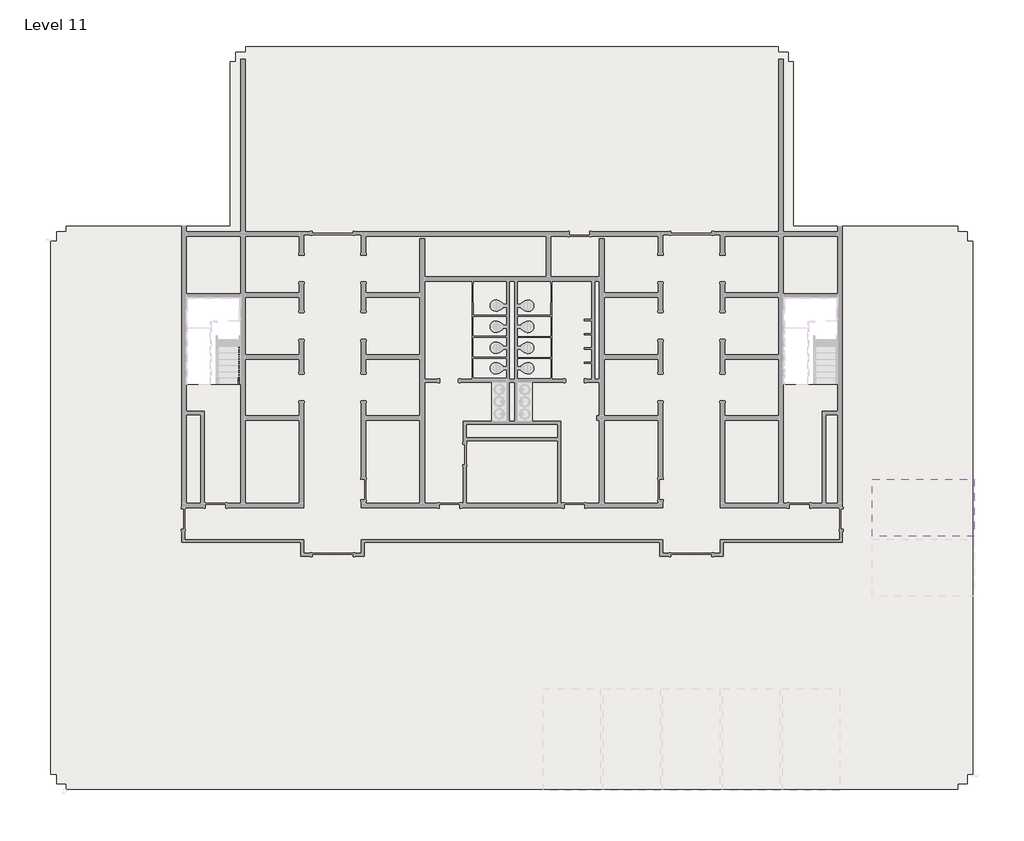
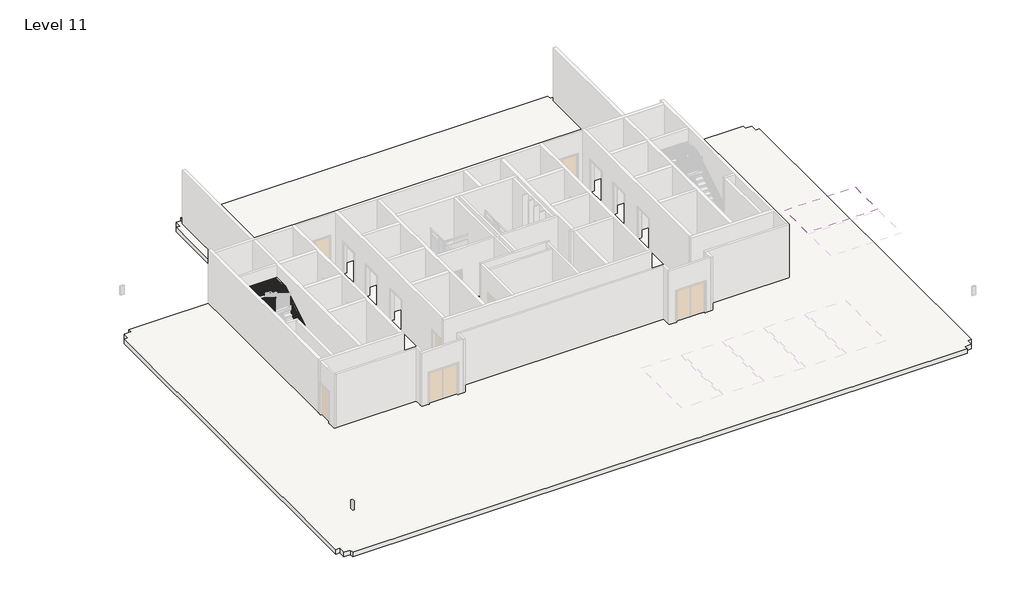
# One storey, part 3 of 7: 1 covering, 1 railing, 1 slab.
"""IFC4 building model written with IfcOpenShell, lengths in millimetres."""

from ifc_helpers import new_model, si_unit, frame, origin, place, context, project, spatial, polyline, outline, extrude, faceted_brep, element, save

model = new_model("IFC4")

# Units and contexts
model_context = context("Model", 3, world=origin())
ifc_project = project(units=[si_unit("LENGTHUNIT", "METRE", prefix="MILLI")], contexts=[model_context])

# Site, building, storey
site = spatial("IfcSite", under=ifc_project)
building = spatial("IfcBuilding", under=site)
storey = spatial("IfcBuildingStorey", under=building, Name="Level 11", Elevation=39776.4)

# Covering
placement = place(None, origin())
element("IfcCovering", 1, ObjectType="2' x 2' ACT System", at=placement, inside=storey, context=model_context, shape_type="SweptSolid", body=[
    extrude(outline(polyline([(10093.3069555, -1616.7279688), (14639.9069555, -1616.7279688), (14639.9069555, -4156.7279688), (10093.3069555, -4156.7279688), (10093.3069555, -1616.7279688)])), frame((0.0, 0.0, 42214.8), z_axis=(0.0, 0.0, 1.0), x_axis=(1.0, 0.0, 0.0)), (0.0, 0.0, 1.0), 57.15),
])

# Railing
element("IfcRailing", 2, ObjectType="Handrail - Rectangular", at=placement, inside=storey, context=model_context, shape_type="SolidModel", body=[
    faceted_brep([(-18176.8930445, 2625.4460566, 40864.9714286), (-18176.8930445, 2625.4460566, 40805.1093152), (-18126.0930445, 2625.4460566, 40805.1093152), (-18126.0930445, 2625.4460566, 40864.9714286), (-18176.8930445, 5419.4460566, 42606.6857143), (-18176.8930445, 5433.9831967, 42555.8857143), (-18126.0930445, 5433.9831967, 42555.8857143), (-18126.0930445, 5419.4460566, 42606.6857143), (-18176.8930445, 6396.9720312, 42606.6857143), (-18176.8930445, 6396.9720312, 42555.8857143), (-18126.0930445, 6447.7720312, 42555.8857143), (-18126.0930445, 6447.7720312, 42606.6857143), (-20399.3930445, 6396.9720312, 42606.6857143), (-20399.3930445, 6396.9720312, 42555.8857143), (-20450.1930445, 6447.7720312, 42555.8857143), (-20450.1930445, 6447.7720312, 42606.6857143), (-20399.3930445, 5419.4460566, 42606.6857143), (-20399.3930445, 5404.9089165, 42555.8857143), (-20450.1930445, 5404.9089165, 42555.8857143), (-20450.1930445, 5419.4460566, 42606.6857143), (-20399.3930445, 2625.4460566, 44348.4), (-20450.1930445, 2625.4460566, 44348.4), (-20450.1930445, 2625.4460566, 44288.5378867), (-20399.3930445, 2625.4460566, 44288.5378867)], [[[0, 1, 2, 3]], [[1, 0, 4, 5]], [[2, 1, 5, 6]], [[3, 2, 6, 7]], [[0, 3, 7, 4]], [[5, 4, 8, 9]], [[6, 5, 9, 10]], [[7, 6, 10, 11]], [[4, 7, 11, 8]], [[9, 8, 12, 13]], [[10, 9, 13, 14]], [[11, 10, 14, 15]], [[8, 11, 15, 12]], [[13, 12, 16, 17]], [[14, 13, 17, 18]], [[15, 14, 18, 19]], [[12, 15, 19, 16]], [[20, 21, 22, 23]], [[17, 16, 20, 23]], [[18, 17, 23, 22]], [[19, 18, 22, 21]], [[16, 19, 21, 20]]]),
    extrude(outline(polyline([(2666.7210566, 44262.8080165), (2685.7710566, 44250.9326919), (2685.7710566, 43259.8285714), (2666.7210566, 43259.8285714), (2666.7210566, 44262.8080165)])), frame((-20434.3180445, 0.0, 0.0), z_axis=(1.0, 0.0, 0.0), x_axis=(0.0, 1.0, 0.0)), (0.0, 0.0, 1.0), 19.05),
    extrude(outline(polyline([(2768.3210566, 44199.4729516), (2787.3710566, 44187.5976269), (2787.3710566, 43259.8285714), (2768.3210566, 43259.8285714), (2768.3210566, 44199.4729516)])), frame((-20434.3180445, 0.0, 0.0), z_axis=(1.0, 0.0, 0.0), x_axis=(0.0, 1.0, 0.0)), (0.0, 0.0, 1.0), 19.05),
    extrude(outline(polyline([(2869.9210566, 44136.1378867), (2888.9710566, 44124.262562), (2888.9710566, 43259.8285714), (2869.9210566, 43259.8285714), (2869.9210566, 44136.1378867)])), frame((-20434.3180445, 0.0, 0.0), z_axis=(1.0, 0.0, 0.0), x_axis=(0.0, 1.0, 0.0)), (0.0, 0.0, 1.0), 19.05),
    extrude(outline(polyline([(2971.5210566, 44072.8028217), (2990.5710566, 44060.9274971), (2990.5710566, 43085.6571429), (2971.5210566, 43085.6571429), (2971.5210566, 44072.8028217)])), frame((-20434.3180445, 0.0, 0.0), z_axis=(1.0, 0.0, 0.0), x_axis=(0.0, 1.0, 0.0)), (0.0, 0.0, 1.0), 19.05),
    extrude(outline(polyline([(3073.1210566, 44009.4677568), (3092.1710566, 43997.5924321), (3092.1710566, 43085.6571429), (3073.1210566, 43085.6571429), (3073.1210566, 44009.4677568)])), frame((-20434.3180445, 0.0, 0.0), z_axis=(1.0, 0.0, 0.0), x_axis=(0.0, 1.0, 0.0)), (0.0, 0.0, 1.0), 19.05),
    extrude(outline(polyline([(3174.7210566, 43946.1326919), (3193.7710566, 43934.2573672), (3193.7710566, 43085.6571429), (3174.7210566, 43085.6571429), (3174.7210566, 43946.1326919)])), frame((-20434.3180445, 0.0, 0.0), z_axis=(1.0, 0.0, 0.0), x_axis=(0.0, 1.0, 0.0)), (0.0, 0.0, 1.0), 19.05),
    extrude(outline(polyline([(3276.3210566, 43882.7976269), (3295.3710566, 43870.9223023), (3295.3710566, 42911.4857143), (3276.3210566, 42911.4857143), (3276.3210566, 43882.7976269)])), frame((-20434.3180445, 0.0, 0.0), z_axis=(1.0, 0.0, 0.0), x_axis=(0.0, 1.0, 0.0)), (0.0, 0.0, 1.0), 19.05),
    extrude(outline(polyline([(3377.9210566, 43819.462562), (3396.9710566, 43807.5872373), (3396.9710566, 42911.4857143), (3377.9210566, 42911.4857143), (3377.9210566, 43819.462562)])), frame((-20434.3180445, 0.0, 0.0), z_axis=(1.0, 0.0, 0.0), x_axis=(0.0, 1.0, 0.0)), (0.0, 0.0, 1.0), 19.05),
    extrude(outline(polyline([(3479.5210566, 43756.1274971), (3498.5710566, 43744.2521724), (3498.5710566, 42737.3142857), (3479.5210566, 42737.3142857), (3479.5210566, 43756.1274971)])), frame((-20434.3180445, 0.0, 0.0), z_axis=(1.0, 0.0, 0.0), x_axis=(0.0, 1.0, 0.0)), (0.0, 0.0, 1.0), 19.05),
    extrude(outline(polyline([(3581.1210566, 43692.7924321), (3600.1710566, 43680.9171074), (3600.1710566, 42737.3142857), (3581.1210566, 42737.3142857), (3581.1210566, 43692.7924321)])), frame((-20434.3180445, 0.0, 0.0), z_axis=(1.0, 0.0, 0.0), x_axis=(0.0, 1.0, 0.0)), (0.0, 0.0, 1.0), 19.05),
    extrude(outline(polyline([(3682.7210566, 43629.4573672), (3701.7710566, 43617.5820425), (3701.7710566, 42737.3142857), (3682.7210566, 42737.3142857), (3682.7210566, 43629.4573672)])), frame((-20434.3180445, 0.0, 0.0), z_axis=(1.0, 0.0, 0.0), x_axis=(0.0, 1.0, 0.0)), (0.0, 0.0, 1.0), 19.05),
    extrude(outline(polyline([(3784.3210566, 43566.1223023), (3803.3710566, 43554.2469776), (3803.3710566, 42563.1428571), (3784.3210566, 42563.1428571), (3784.3210566, 43566.1223023)])), frame((-20434.3180445, 0.0, 0.0), z_axis=(1.0, 0.0, 0.0), x_axis=(0.0, 1.0, 0.0)), (0.0, 0.0, 1.0), 19.05),
    extrude(outline(polyline([(3885.9210566, 43502.7872373), (3904.9710566, 43490.9119126), (3904.9710566, 42563.1428571), (3885.9210566, 42563.1428571), (3885.9210566, 43502.7872373)])), frame((-20434.3180445, 0.0, 0.0), z_axis=(1.0, 0.0, 0.0), x_axis=(0.0, 1.0, 0.0)), (0.0, 0.0, 1.0), 19.05),
    extrude(outline(polyline([(3987.5210566, 43439.4521724), (4006.5710566, 43427.5768477), (4006.5710566, 42563.1428571), (3987.5210566, 42563.1428571), (3987.5210566, 43439.4521724)])), frame((-20434.3180445, 0.0, 0.0), z_axis=(1.0, 0.0, 0.0), x_axis=(0.0, 1.0, 0.0)), (0.0, 0.0, 1.0), 19.05),
    extrude(outline(polyline([(4089.1210566, 43376.1171074), (4108.1710566, 43364.2417828), (4108.1710566, 42388.9714286), (4089.1210566, 42388.9714286), (4089.1210566, 43376.1171074)])), frame((-20434.3180445, 0.0, 0.0), z_axis=(1.0, 0.0, 0.0), x_axis=(0.0, 1.0, 0.0)), (0.0, 0.0, 1.0), 19.05),
    extrude(outline(polyline([(4190.7210566, 43312.7820425), (4209.7710566, 43300.9067178), (4209.7710566, 42388.9714286), (4190.7210566, 42388.9714286), (4190.7210566, 43312.7820425)])), frame((-20434.3180445, 0.0, 0.0), z_axis=(1.0, 0.0, 0.0), x_axis=(0.0, 1.0, 0.0)), (0.0, 0.0, 1.0), 19.05),
    extrude(outline(polyline([(4292.3210566, 43249.4469776), (4311.3710566, 43237.5716529), (4311.3710566, 42388.9714286), (4292.3210566, 42388.9714286), (4292.3210566, 43249.4469776)])), frame((-20434.3180445, 0.0, 0.0), z_axis=(1.0, 0.0, 0.0), x_axis=(0.0, 1.0, 0.0)), (0.0, 0.0, 1.0), 19.05),
    extrude(outline(polyline([(4393.9210566, 43186.1119126), (4412.9710566, 43174.236588), (4412.9710566, 42214.8), (4393.9210566, 42214.8), (4393.9210566, 43186.1119126)])), frame((-20434.3180445, 0.0, 0.0), z_axis=(1.0, 0.0, 0.0), x_axis=(0.0, 1.0, 0.0)), (0.0, 0.0, 1.0), 19.05),
    extrude(outline(polyline([(4495.5210566, 43122.7768477), (4514.5710566, 43110.901523), (4514.5710566, 42214.8), (4495.5210566, 42214.8), (4495.5210566, 43122.7768477)])), frame((-20434.3180445, 0.0, 0.0), z_axis=(1.0, 0.0, 0.0), x_axis=(0.0, 1.0, 0.0)), (0.0, 0.0, 1.0), 19.05),
    extrude(outline(polyline([(4597.1210566, 43059.4417828), (4616.1710566, 43047.5664581), (4616.1710566, 42040.6285714), (4597.1210566, 42040.6285714), (4597.1210566, 43059.4417828)])), frame((-20434.3180445, 0.0, 0.0), z_axis=(1.0, 0.0, 0.0), x_axis=(0.0, 1.0, 0.0)), (0.0, 0.0, 1.0), 19.05),
    extrude(outline(polyline([(4698.7210566, 42996.1067178), (4717.7710566, 42984.2313932), (4717.7710566, 42040.6285714), (4698.7210566, 42040.6285714), (4698.7210566, 42996.1067178)])), frame((-20434.3180445, 0.0, 0.0), z_axis=(1.0, 0.0, 0.0), x_axis=(0.0, 1.0, 0.0)), (0.0, 0.0, 1.0), 19.05),
    extrude(outline(polyline([(4800.3210566, 42932.7716529), (4819.3710566, 42920.8963282), (4819.3710566, 42040.6285714), (4800.3210566, 42040.6285714), (4800.3210566, 42932.7716529)])), frame((-20434.3180445, 0.0, 0.0), z_axis=(1.0, 0.0, 0.0), x_axis=(0.0, 1.0, 0.0)), (0.0, 0.0, 1.0), 19.05),
    extrude(outline(polyline([(4901.9210566, 42869.436588), (4920.9710566, 42857.5612633), (4920.9710566, 41866.4571429), (4901.9210566, 41866.4571429), (4901.9210566, 42869.436588)])), frame((-20434.3180445, 0.0, 0.0), z_axis=(1.0, 0.0, 0.0), x_axis=(0.0, 1.0, 0.0)), (0.0, 0.0, 1.0), 19.05),
    extrude(outline(polyline([(5003.5210566, 42806.101523), (5022.5710566, 42794.2261984), (5022.5710566, 41866.4571429), (5003.5210566, 41866.4571429), (5003.5210566, 42806.101523)])), frame((-20434.3180445, 0.0, 0.0), z_axis=(1.0, 0.0, 0.0), x_axis=(0.0, 1.0, 0.0)), (0.0, 0.0, 1.0), 19.05),
    extrude(outline(polyline([(5105.1210566, 42742.7664581), (5124.1710566, 42730.8911334), (5124.1710566, 41866.4571429), (5105.1210566, 41866.4571429), (5105.1210566, 42742.7664581)])), frame((-20434.3180445, 0.0, 0.0), z_axis=(1.0, 0.0, 0.0), x_axis=(0.0, 1.0, 0.0)), (0.0, 0.0, 1.0), 19.05),
    extrude(outline(polyline([(5206.7210566, 42679.4313932), (5225.7710566, 42667.5560685), (5225.7710566, 41692.2857143), (5206.7210566, 41692.2857143), (5206.7210566, 42679.4313932)])), frame((-20434.3180445, 0.0, 0.0), z_axis=(1.0, 0.0, 0.0), x_axis=(0.0, 1.0, 0.0)), (0.0, 0.0, 1.0), 19.05),
    extrude(outline(polyline([(5308.3210566, 42616.0963282), (5327.3710566, 42604.2210036), (5327.3710566, 41692.2857143), (5308.3210566, 41692.2857143), (5308.3210566, 42616.0963282)])), frame((-20434.3180445, 0.0, 0.0), z_axis=(1.0, 0.0, 0.0), x_axis=(0.0, 1.0, 0.0)), (0.0, 0.0, 1.0), 19.05),
    extrude(outline(polyline([(-20434.3180445, 5517.4970312), (-20415.2680445, 5517.4970312), (-20415.2680445, 5498.4470312), (-20434.3180445, 5498.4470312), (-20434.3180445, 5517.4970312)])), frame((0.0, 0.0, 41692.2857143), z_axis=(0.0, 0.0, 1.0), x_axis=(1.0, 0.0, 0.0)), (0.0, 0.0, 1.0), 863.6),
    extrude(outline(polyline([(-20434.3180445, 5619.0970312), (-20415.2680445, 5619.0970312), (-20415.2680445, 5600.0470312), (-20434.3180445, 5600.0470312), (-20434.3180445, 5619.0970312)])), frame((0.0, 0.0, 41692.2857143), z_axis=(0.0, 0.0, 1.0), x_axis=(1.0, 0.0, 0.0)), (0.0, 0.0, 1.0), 863.6),
    extrude(outline(polyline([(-20434.3180445, 5720.6970312), (-20415.2680445, 5720.6970312), (-20415.2680445, 5701.6470312), (-20434.3180445, 5701.6470312), (-20434.3180445, 5720.6970312)])), frame((0.0, 0.0, 41692.2857143), z_axis=(0.0, 0.0, 1.0), x_axis=(1.0, 0.0, 0.0)), (0.0, 0.0, 1.0), 863.6),
    extrude(outline(polyline([(-20434.3180445, 5822.2970312), (-20415.2680445, 5822.2970312), (-20415.2680445, 5803.2470312), (-20434.3180445, 5803.2470312), (-20434.3180445, 5822.2970312)])), frame((0.0, 0.0, 41692.2857143), z_axis=(0.0, 0.0, 1.0), x_axis=(1.0, 0.0, 0.0)), (0.0, 0.0, 1.0), 863.6),
    extrude(outline(polyline([(-20434.3180445, 5923.8970312), (-20415.2680445, 5923.8970312), (-20415.2680445, 5904.8470312), (-20434.3180445, 5904.8470312), (-20434.3180445, 5923.8970312)])), frame((0.0, 0.0, 41692.2857143), z_axis=(0.0, 0.0, 1.0), x_axis=(1.0, 0.0, 0.0)), (0.0, 0.0, 1.0), 863.6),
    extrude(outline(polyline([(-20434.3180445, 6025.4970312), (-20415.2680445, 6025.4970312), (-20415.2680445, 6006.4470312), (-20434.3180445, 6006.4470312), (-20434.3180445, 6025.4970312)])), frame((0.0, 0.0, 41692.2857143), z_axis=(0.0, 0.0, 1.0), x_axis=(1.0, 0.0, 0.0)), (0.0, 0.0, 1.0), 863.6),
    extrude(outline(polyline([(-20434.3180445, 6127.0970312), (-20415.2680445, 6127.0970312), (-20415.2680445, 6108.0470312), (-20434.3180445, 6108.0470312), (-20434.3180445, 6127.0970312)])), frame((0.0, 0.0, 41692.2857143), z_axis=(0.0, 0.0, 1.0), x_axis=(1.0, 0.0, 0.0)), (0.0, 0.0, 1.0), 863.6),
    extrude(outline(polyline([(-20434.3180445, 6228.6970312), (-20415.2680445, 6228.6970312), (-20415.2680445, 6209.6470312), (-20434.3180445, 6209.6470312), (-20434.3180445, 6228.6970312)])), frame((0.0, 0.0, 41692.2857143), z_axis=(0.0, 0.0, 1.0), x_axis=(1.0, 0.0, 0.0)), (0.0, 0.0, 1.0), 863.6),
    extrude(outline(polyline([(-20434.3180445, 6330.2970312), (-20415.2680445, 6330.2970312), (-20415.2680445, 6311.2470312), (-20434.3180445, 6311.2470312), (-20434.3180445, 6330.2970312)])), frame((0.0, 0.0, 41692.2857143), z_axis=(0.0, 0.0, 1.0), x_axis=(1.0, 0.0, 0.0)), (0.0, 0.0, 1.0), 863.6),
    extrude(outline(polyline([(-20377.1680445, 6431.8970312), (-20377.1680445, 6412.8470312), (-20396.2180445, 6412.8470312), (-20396.2180445, 6431.8970312), (-20377.1680445, 6431.8970312)])), frame((0.0, 0.0, 41692.2857143), z_axis=(0.0, 0.0, 1.0), x_axis=(1.0, 0.0, 0.0)), (0.0, 0.0, 1.0), 863.6),
    extrude(outline(polyline([(-20275.5680445, 6431.8970312), (-20275.5680445, 6412.8470312), (-20294.6180445, 6412.8470312), (-20294.6180445, 6431.8970312), (-20275.5680445, 6431.8970312)])), frame((0.0, 0.0, 41692.2857143), z_axis=(0.0, 0.0, 1.0), x_axis=(1.0, 0.0, 0.0)), (0.0, 0.0, 1.0), 863.6),
    extrude(outline(polyline([(-20173.9680445, 6431.8970312), (-20173.9680445, 6412.8470312), (-20193.0180445, 6412.8470312), (-20193.0180445, 6431.8970312), (-20173.9680445, 6431.8970312)])), frame((0.0, 0.0, 41692.2857143), z_axis=(0.0, 0.0, 1.0), x_axis=(1.0, 0.0, 0.0)), (0.0, 0.0, 1.0), 863.6),
    extrude(outline(polyline([(-20072.3680445, 6431.8970312), (-20072.3680445, 6412.8470312), (-20091.4180445, 6412.8470312), (-20091.4180445, 6431.8970312), (-20072.3680445, 6431.8970312)])), frame((0.0, 0.0, 41692.2857143), z_axis=(0.0, 0.0, 1.0), x_axis=(1.0, 0.0, 0.0)), (0.0, 0.0, 1.0), 863.6),
    extrude(outline(polyline([(-19970.7680445, 6431.8970312), (-19970.7680445, 6412.8470312), (-19989.8180445, 6412.8470312), (-19989.8180445, 6431.8970312), (-19970.7680445, 6431.8970312)])), frame((0.0, 0.0, 41692.2857143), z_axis=(0.0, 0.0, 1.0), x_axis=(1.0, 0.0, 0.0)), (0.0, 0.0, 1.0), 863.6),
    extrude(outline(polyline([(-19869.1680445, 6431.8970312), (-19869.1680445, 6412.8470312), (-19888.2180445, 6412.8470312), (-19888.2180445, 6431.8970312), (-19869.1680445, 6431.8970312)])), frame((0.0, 0.0, 41692.2857143), z_axis=(0.0, 0.0, 1.0), x_axis=(1.0, 0.0, 0.0)), (0.0, 0.0, 1.0), 863.6),
    extrude(outline(polyline([(-19767.5680445, 6431.8970312), (-19767.5680445, 6412.8470312), (-19786.6180445, 6412.8470312), (-19786.6180445, 6431.8970312), (-19767.5680445, 6431.8970312)])), frame((0.0, 0.0, 41692.2857143), z_axis=(0.0, 0.0, 1.0), x_axis=(1.0, 0.0, 0.0)), (0.0, 0.0, 1.0), 863.6),
    extrude(outline(polyline([(-19665.9680445, 6431.8970312), (-19665.9680445, 6412.8470312), (-19685.0180445, 6412.8470312), (-19685.0180445, 6431.8970312), (-19665.9680445, 6431.8970312)])), frame((0.0, 0.0, 41692.2857143), z_axis=(0.0, 0.0, 1.0), x_axis=(1.0, 0.0, 0.0)), (0.0, 0.0, 1.0), 863.6),
    extrude(outline(polyline([(-19564.3680445, 6431.8970312), (-19564.3680445, 6412.8470312), (-19583.4180445, 6412.8470312), (-19583.4180445, 6431.8970312), (-19564.3680445, 6431.8970312)])), frame((0.0, 0.0, 41692.2857143), z_axis=(0.0, 0.0, 1.0), x_axis=(1.0, 0.0, 0.0)), (0.0, 0.0, 1.0), 863.6),
    extrude(outline(polyline([(-19462.7680445, 6431.8970312), (-19462.7680445, 6412.8470312), (-19481.8180445, 6412.8470312), (-19481.8180445, 6431.8970312), (-19462.7680445, 6431.8970312)])), frame((0.0, 0.0, 41692.2857143), z_axis=(0.0, 0.0, 1.0), x_axis=(1.0, 0.0, 0.0)), (0.0, 0.0, 1.0), 863.6),
    extrude(outline(polyline([(-19361.1680445, 6431.8970312), (-19361.1680445, 6412.8470312), (-19380.2180445, 6412.8470312), (-19380.2180445, 6431.8970312), (-19361.1680445, 6431.8970312)])), frame((0.0, 0.0, 41692.2857143), z_axis=(0.0, 0.0, 1.0), x_axis=(1.0, 0.0, 0.0)), (0.0, 0.0, 1.0), 863.6),
    extrude(outline(polyline([(-19259.5680445, 6431.8970312), (-19259.5680445, 6412.8470312), (-19278.6180445, 6412.8470312), (-19278.6180445, 6431.8970312), (-19259.5680445, 6431.8970312)])), frame((0.0, 0.0, 41692.2857143), z_axis=(0.0, 0.0, 1.0), x_axis=(1.0, 0.0, 0.0)), (0.0, 0.0, 1.0), 863.6),
    extrude(outline(polyline([(-19157.9680445, 6431.8970312), (-19157.9680445, 6412.8470312), (-19177.0180445, 6412.8470312), (-19177.0180445, 6431.8970312), (-19157.9680445, 6431.8970312)])), frame((0.0, 0.0, 41692.2857143), z_axis=(0.0, 0.0, 1.0), x_axis=(1.0, 0.0, 0.0)), (0.0, 0.0, 1.0), 863.6),
    extrude(outline(polyline([(-19056.3680445, 6431.8970312), (-19056.3680445, 6412.8470312), (-19075.4180445, 6412.8470312), (-19075.4180445, 6431.8970312), (-19056.3680445, 6431.8970312)])), frame((0.0, 0.0, 41692.2857143), z_axis=(0.0, 0.0, 1.0), x_axis=(1.0, 0.0, 0.0)), (0.0, 0.0, 1.0), 863.6),
    extrude(outline(polyline([(-18954.7680445, 6431.8970312), (-18954.7680445, 6412.8470312), (-18973.8180445, 6412.8470312), (-18973.8180445, 6431.8970312), (-18954.7680445, 6431.8970312)])), frame((0.0, 0.0, 41692.2857143), z_axis=(0.0, 0.0, 1.0), x_axis=(1.0, 0.0, 0.0)), (0.0, 0.0, 1.0), 863.6),
    extrude(outline(polyline([(-18853.1680445, 6431.8970312), (-18853.1680445, 6412.8470312), (-18872.2180445, 6412.8470312), (-18872.2180445, 6431.8970312), (-18853.1680445, 6431.8970312)])), frame((0.0, 0.0, 41692.2857143), z_axis=(0.0, 0.0, 1.0), x_axis=(1.0, 0.0, 0.0)), (0.0, 0.0, 1.0), 863.6),
    extrude(outline(polyline([(-18751.5680445, 6431.8970312), (-18751.5680445, 6412.8470312), (-18770.6180445, 6412.8470312), (-18770.6180445, 6431.8970312), (-18751.5680445, 6431.8970312)])), frame((0.0, 0.0, 41692.2857143), z_axis=(0.0, 0.0, 1.0), x_axis=(1.0, 0.0, 0.0)), (0.0, 0.0, 1.0), 863.6),
    extrude(outline(polyline([(-18649.9680445, 6431.8970312), (-18649.9680445, 6412.8470312), (-18669.0180445, 6412.8470312), (-18669.0180445, 6431.8970312), (-18649.9680445, 6431.8970312)])), frame((0.0, 0.0, 41692.2857143), z_axis=(0.0, 0.0, 1.0), x_axis=(1.0, 0.0, 0.0)), (0.0, 0.0, 1.0), 863.6),
    extrude(outline(polyline([(-18548.3680445, 6431.8970312), (-18548.3680445, 6412.8470312), (-18567.4180445, 6412.8470312), (-18567.4180445, 6431.8970312), (-18548.3680445, 6431.8970312)])), frame((0.0, 0.0, 41692.2857143), z_axis=(0.0, 0.0, 1.0), x_axis=(1.0, 0.0, 0.0)), (0.0, 0.0, 1.0), 863.6),
    extrude(outline(polyline([(-18446.7680445, 6431.8970312), (-18446.7680445, 6412.8470312), (-18465.8180445, 6412.8470312), (-18465.8180445, 6431.8970312), (-18446.7680445, 6431.8970312)])), frame((0.0, 0.0, 41692.2857143), z_axis=(0.0, 0.0, 1.0), x_axis=(1.0, 0.0, 0.0)), (0.0, 0.0, 1.0), 863.6),
    extrude(outline(polyline([(-18345.1680445, 6431.8970312), (-18345.1680445, 6412.8470312), (-18364.2180445, 6412.8470312), (-18364.2180445, 6431.8970312), (-18345.1680445, 6431.8970312)])), frame((0.0, 0.0, 41692.2857143), z_axis=(0.0, 0.0, 1.0), x_axis=(1.0, 0.0, 0.0)), (0.0, 0.0, 1.0), 863.6),
    extrude(outline(polyline([(-18243.5680445, 6431.8970312), (-18243.5680445, 6412.8470312), (-18262.6180445, 6412.8470312), (-18262.6180445, 6431.8970312), (-18243.5680445, 6431.8970312)])), frame((0.0, 0.0, 41692.2857143), z_axis=(0.0, 0.0, 1.0), x_axis=(1.0, 0.0, 0.0)), (0.0, 0.0, 1.0), 863.6),
    extrude(outline(polyline([(-18141.9680445, 6324.3210566), (-18161.0180445, 6324.3210566), (-18161.0180445, 6343.3710566), (-18141.9680445, 6343.3710566), (-18141.9680445, 6324.3210566)])), frame((0.0, 0.0, 41692.2857143), z_axis=(0.0, 0.0, 1.0), x_axis=(1.0, 0.0, 0.0)), (0.0, 0.0, 1.0), 863.6),
    extrude(outline(polyline([(-18141.9680445, 6222.7210566), (-18161.0180445, 6222.7210566), (-18161.0180445, 6241.7710566), (-18141.9680445, 6241.7710566), (-18141.9680445, 6222.7210566)])), frame((0.0, 0.0, 41692.2857143), z_axis=(0.0, 0.0, 1.0), x_axis=(1.0, 0.0, 0.0)), (0.0, 0.0, 1.0), 863.6),
    extrude(outline(polyline([(-18141.9680445, 6121.1210566), (-18161.0180445, 6121.1210566), (-18161.0180445, 6140.1710566), (-18141.9680445, 6140.1710566), (-18141.9680445, 6121.1210566)])), frame((0.0, 0.0, 41692.2857143), z_axis=(0.0, 0.0, 1.0), x_axis=(1.0, 0.0, 0.0)), (0.0, 0.0, 1.0), 863.6),
    extrude(outline(polyline([(-18141.9680445, 6019.5210566), (-18161.0180445, 6019.5210566), (-18161.0180445, 6038.5710566), (-18141.9680445, 6038.5710566), (-18141.9680445, 6019.5210566)])), frame((0.0, 0.0, 41692.2857143), z_axis=(0.0, 0.0, 1.0), x_axis=(1.0, 0.0, 0.0)), (0.0, 0.0, 1.0), 863.6),
    extrude(outline(polyline([(-18141.9680445, 5917.9210566), (-18161.0180445, 5917.9210566), (-18161.0180445, 5936.9710566), (-18141.9680445, 5936.9710566), (-18141.9680445, 5917.9210566)])), frame((0.0, 0.0, 41692.2857143), z_axis=(0.0, 0.0, 1.0), x_axis=(1.0, 0.0, 0.0)), (0.0, 0.0, 1.0), 863.6),
    extrude(outline(polyline([(-18141.9680445, 5816.3210566), (-18161.0180445, 5816.3210566), (-18161.0180445, 5835.3710566), (-18141.9680445, 5835.3710566), (-18141.9680445, 5816.3210566)])), frame((0.0, 0.0, 41692.2857143), z_axis=(0.0, 0.0, 1.0), x_axis=(1.0, 0.0, 0.0)), (0.0, 0.0, 1.0), 863.6),
    extrude(outline(polyline([(-18141.9680445, 5714.7210566), (-18161.0180445, 5714.7210566), (-18161.0180445, 5733.7710566), (-18141.9680445, 5733.7710566), (-18141.9680445, 5714.7210566)])), frame((0.0, 0.0, 41692.2857143), z_axis=(0.0, 0.0, 1.0), x_axis=(1.0, 0.0, 0.0)), (0.0, 0.0, 1.0), 863.6),
    extrude(outline(polyline([(-18141.9680445, 5613.1210566), (-18161.0180445, 5613.1210566), (-18161.0180445, 5632.1710566), (-18141.9680445, 5632.1710566), (-18141.9680445, 5613.1210566)])), frame((0.0, 0.0, 41692.2857143), z_axis=(0.0, 0.0, 1.0), x_axis=(1.0, 0.0, 0.0)), (0.0, 0.0, 1.0), 863.6),
    extrude(outline(polyline([(-18141.9680445, 5511.5210566), (-18161.0180445, 5511.5210566), (-18161.0180445, 5530.5710566), (-18141.9680445, 5530.5710566), (-18141.9680445, 5511.5210566)])), frame((0.0, 0.0, 41692.2857143), z_axis=(0.0, 0.0, 1.0), x_axis=(1.0, 0.0, 0.0)), (0.0, 0.0, 1.0), 863.6),
    extrude(outline(polyline([(5359.1210566, 42509.2184061), (5378.1710566, 42521.0937308), (5378.1710566, 41518.1142857), (5359.1210566, 41518.1142857), (5359.1210566, 42509.2184061)])), frame((-18161.0180445, 0.0, 0.0), z_axis=(1.0, 0.0, 0.0), x_axis=(0.0, 1.0, 0.0)), (0.0, 0.0, 1.0), 19.05),
    extrude(outline(polyline([(5257.5210566, 42445.8833412), (5276.5710566, 42457.7586659), (5276.5710566, 41518.1142857), (5257.5210566, 41518.1142857), (5257.5210566, 42445.8833412)])), frame((-18161.0180445, 0.0, 0.0), z_axis=(1.0, 0.0, 0.0), x_axis=(0.0, 1.0, 0.0)), (0.0, 0.0, 1.0), 19.05),
    extrude(outline(polyline([(5155.9210566, 42382.5482763), (5174.9710566, 42394.423601), (5174.9710566, 41518.1142857), (5155.9210566, 41518.1142857), (5155.9210566, 42382.5482763)])), frame((-18161.0180445, 0.0, 0.0), z_axis=(1.0, 0.0, 0.0), x_axis=(0.0, 1.0, 0.0)), (0.0, 0.0, 1.0), 19.05),
    extrude(outline(polyline([(5054.3210566, 42319.2132113), (5073.3710566, 42331.088536), (5073.3710566, 41343.9428571), (5054.3210566, 41343.9428571), (5054.3210566, 42319.2132113)])), frame((-18161.0180445, 0.0, 0.0), z_axis=(1.0, 0.0, 0.0), x_axis=(0.0, 1.0, 0.0)), (0.0, 0.0, 1.0), 19.05),
    extrude(outline(polyline([(4952.7210566, 42255.8781464), (4971.7710566, 42267.7534711), (4971.7710566, 41343.9428571), (4952.7210566, 41343.9428571), (4952.7210566, 42255.8781464)])), frame((-18161.0180445, 0.0, 0.0), z_axis=(1.0, 0.0, 0.0), x_axis=(0.0, 1.0, 0.0)), (0.0, 0.0, 1.0), 19.05),
    extrude(outline(polyline([(4851.1210566, 42192.5430815), (4870.1710566, 42204.4184061), (4870.1710566, 41343.9428571), (4851.1210566, 41343.9428571), (4851.1210566, 42192.5430815)])), frame((-18161.0180445, 0.0, 0.0), z_axis=(1.0, 0.0, 0.0), x_axis=(0.0, 1.0, 0.0)), (0.0, 0.0, 1.0), 19.05),
    extrude(outline(polyline([(4749.5210566, 42129.2080165), (4768.5710566, 42141.0833412), (4768.5710566, 41169.7714286), (4749.5210566, 41169.7714286), (4749.5210566, 42129.2080165)])), frame((-18161.0180445, 0.0, 0.0), z_axis=(1.0, 0.0, 0.0), x_axis=(0.0, 1.0, 0.0)), (0.0, 0.0, 1.0), 19.05),
    extrude(outline(polyline([(4647.9210566, 42065.8729516), (4666.9710566, 42077.7482763), (4666.9710566, 41169.7714286), (4647.9210566, 41169.7714286), (4647.9210566, 42065.8729516)])), frame((-18161.0180445, 0.0, 0.0), z_axis=(1.0, 0.0, 0.0), x_axis=(0.0, 1.0, 0.0)), (0.0, 0.0, 1.0), 19.05),
    extrude(outline(polyline([(4546.3210566, 42002.5378867), (4565.3710566, 42014.4132113), (4565.3710566, 40995.6), (4546.3210566, 40995.6), (4546.3210566, 42002.5378867)])), frame((-18161.0180445, 0.0, 0.0), z_axis=(1.0, 0.0, 0.0), x_axis=(0.0, 1.0, 0.0)), (0.0, 0.0, 1.0), 19.05),
    extrude(outline(polyline([(4444.7210566, 41939.2028217), (4463.7710566, 41951.0781464), (4463.7710566, 40995.6), (4444.7210566, 40995.6), (4444.7210566, 41939.2028217)])), frame((-18161.0180445, 0.0, 0.0), z_axis=(1.0, 0.0, 0.0), x_axis=(0.0, 1.0, 0.0)), (0.0, 0.0, 1.0), 19.05),
    extrude(outline(polyline([(4343.1210566, 41875.8677568), (4362.1710566, 41887.7430815), (4362.1710566, 40995.6), (4343.1210566, 40995.6), (4343.1210566, 41875.8677568)])), frame((-18161.0180445, 0.0, 0.0), z_axis=(1.0, 0.0, 0.0), x_axis=(0.0, 1.0, 0.0)), (0.0, 0.0, 1.0), 19.05),
    extrude(outline(polyline([(4241.5210566, 41812.5326919), (4260.5710566, 41824.4080165), (4260.5710566, 40821.4285714), (4241.5210566, 40821.4285714), (4241.5210566, 41812.5326919)])), frame((-18161.0180445, 0.0, 0.0), z_axis=(1.0, 0.0, 0.0), x_axis=(0.0, 1.0, 0.0)), (0.0, 0.0, 1.0), 19.05),
    extrude(outline(polyline([(4139.9210566, 41749.1976269), (4158.9710566, 41761.0729516), (4158.9710566, 40821.4285714), (4139.9210566, 40821.4285714), (4139.9210566, 41749.1976269)])), frame((-18161.0180445, 0.0, 0.0), z_axis=(1.0, 0.0, 0.0), x_axis=(0.0, 1.0, 0.0)), (0.0, 0.0, 1.0), 19.05),
    extrude(outline(polyline([(4038.3210566, 41685.862562), (4057.3710566, 41697.7378867), (4057.3710566, 40821.4285714), (4038.3210566, 40821.4285714), (4038.3210566, 41685.862562)])), frame((-18161.0180445, 0.0, 0.0), z_axis=(1.0, 0.0, 0.0), x_axis=(0.0, 1.0, 0.0)), (0.0, 0.0, 1.0), 19.05),
    extrude(outline(polyline([(3936.7210566, 41622.5274971), (3955.7710566, 41634.4028217), (3955.7710566, 40647.2571429), (3936.7210566, 40647.2571429), (3936.7210566, 41622.5274971)])), frame((-18161.0180445, 0.0, 0.0), z_axis=(1.0, 0.0, 0.0), x_axis=(0.0, 1.0, 0.0)), (0.0, 0.0, 1.0), 19.05),
    extrude(outline(polyline([(3835.1210566, 41559.1924321), (3854.1710566, 41571.0677568), (3854.1710566, 40647.2571429), (3835.1210566, 40647.2571429), (3835.1210566, 41559.1924321)])), frame((-18161.0180445, 0.0, 0.0), z_axis=(1.0, 0.0, 0.0), x_axis=(0.0, 1.0, 0.0)), (0.0, 0.0, 1.0), 19.05),
    extrude(outline(polyline([(3733.5210566, 41495.8573672), (3752.5710566, 41507.7326919), (3752.5710566, 40647.2571429), (3733.5210566, 40647.2571429), (3733.5210566, 41495.8573672)])), frame((-18161.0180445, 0.0, 0.0), z_axis=(1.0, 0.0, 0.0), x_axis=(0.0, 1.0, 0.0)), (0.0, 0.0, 1.0), 19.05),
    extrude(outline(polyline([(3631.9210566, 41432.5223023), (3650.9710566, 41444.3976269), (3650.9710566, 40473.0857143), (3631.9210566, 40473.0857143), (3631.9210566, 41432.5223023)])), frame((-18161.0180445, 0.0, 0.0), z_axis=(1.0, 0.0, 0.0), x_axis=(0.0, 1.0, 0.0)), (0.0, 0.0, 1.0), 19.05),
    extrude(outline(polyline([(3530.3210566, 41369.1872373), (3549.3710566, 41381.062562), (3549.3710566, 40473.0857143), (3530.3210566, 40473.0857143), (3530.3210566, 41369.1872373)])), frame((-18161.0180445, 0.0, 0.0), z_axis=(1.0, 0.0, 0.0), x_axis=(0.0, 1.0, 0.0)), (0.0, 0.0, 1.0), 19.05),
    extrude(outline(polyline([(3428.7210566, 41305.8521724), (3447.7710566, 41317.7274971), (3447.7710566, 40298.9142857), (3428.7210566, 40298.9142857), (3428.7210566, 41305.8521724)])), frame((-18161.0180445, 0.0, 0.0), z_axis=(1.0, 0.0, 0.0), x_axis=(0.0, 1.0, 0.0)), (0.0, 0.0, 1.0), 19.05),
    extrude(outline(polyline([(3327.1210566, 41242.5171074), (3346.1710566, 41254.3924321), (3346.1710566, 40298.9142857), (3327.1210566, 40298.9142857), (3327.1210566, 41242.5171074)])), frame((-18161.0180445, 0.0, 0.0), z_axis=(1.0, 0.0, 0.0), x_axis=(0.0, 1.0, 0.0)), (0.0, 0.0, 1.0), 19.05),
    extrude(outline(polyline([(3225.5210566, 41179.1820425), (3244.5710566, 41191.0573672), (3244.5710566, 40298.9142857), (3225.5210566, 40298.9142857), (3225.5210566, 41179.1820425)])), frame((-18161.0180445, 0.0, 0.0), z_axis=(1.0, 0.0, 0.0), x_axis=(0.0, 1.0, 0.0)), (0.0, 0.0, 1.0), 19.05),
    extrude(outline(polyline([(3123.9210566, 41115.8469776), (3142.9710566, 41127.7223023), (3142.9710566, 40124.7428571), (3123.9210566, 40124.7428571), (3123.9210566, 41115.8469776)])), frame((-18161.0180445, 0.0, 0.0), z_axis=(1.0, 0.0, 0.0), x_axis=(0.0, 1.0, 0.0)), (0.0, 0.0, 1.0), 19.05),
    extrude(outline(polyline([(3022.3210566, 41052.5119126), (3041.3710566, 41064.3872373), (3041.3710566, 40124.7428571), (3022.3210566, 40124.7428571), (3022.3210566, 41052.5119126)])), frame((-18161.0180445, 0.0, 0.0), z_axis=(1.0, 0.0, 0.0), x_axis=(0.0, 1.0, 0.0)), (0.0, 0.0, 1.0), 19.05),
    extrude(outline(polyline([(2920.7210566, 40989.1768477), (2939.7710566, 41001.0521724), (2939.7710566, 40124.7428571), (2920.7210566, 40124.7428571), (2920.7210566, 40989.1768477)])), frame((-18161.0180445, 0.0, 0.0), z_axis=(1.0, 0.0, 0.0), x_axis=(0.0, 1.0, 0.0)), (0.0, 0.0, 1.0), 19.05),
    extrude(outline(polyline([(2819.1210566, 40925.8417828), (2838.1710566, 40937.7171074), (2838.1710566, 39950.5714286), (2819.1210566, 39950.5714286), (2819.1210566, 40925.8417828)])), frame((-18161.0180445, 0.0, 0.0), z_axis=(1.0, 0.0, 0.0), x_axis=(0.0, 1.0, 0.0)), (0.0, 0.0, 1.0), 19.05),
    extrude(outline(polyline([(2717.5210566, 40862.5067178), (2736.5710566, 40874.3820425), (2736.5710566, 39950.5714286), (2717.5210566, 39950.5714286), (2717.5210566, 40862.5067178)])), frame((-18161.0180445, 0.0, 0.0), z_axis=(1.0, 0.0, 0.0), x_axis=(0.0, 1.0, 0.0)), (0.0, 0.0, 1.0), 19.05),
    extrude(outline(polyline([(-20434.3180445, 5428.9710566), (-20415.2680445, 5428.9710566), (-20415.2680445, 5409.9210566), (-20434.3180445, 5409.9210566), (-20434.3180445, 5428.9710566)])), frame((0.0, 0.0, 41692.2857143), z_axis=(0.0, 0.0, 1.0), x_axis=(1.0, 0.0, 0.0)), (0.0, 0.0, 1.0), 863.6),
    extrude(outline(polyline([(-20415.2680445, 6431.8970312), (-20415.2680445, 6412.8470312), (-20434.3180445, 6412.8470312), (-20434.3180445, 6431.8970312), (-20415.2680445, 6431.8970312)])), frame((0.0, 0.0, 41692.2857143), z_axis=(0.0, 0.0, 1.0), x_axis=(1.0, 0.0, 0.0)), (0.0, 0.0, 1.0), 863.6),
    extrude(outline(polyline([(-18141.9680445, 6412.8470312), (-18161.0180445, 6412.8470312), (-18161.0180445, 6431.8970312), (-18141.9680445, 6431.8970312), (-18141.9680445, 6412.8470312)])), frame((0.0, 0.0, 41692.2857143), z_axis=(0.0, 0.0, 1.0), x_axis=(1.0, 0.0, 0.0)), (0.0, 0.0, 1.0), 863.6),
    extrude(outline(polyline([(5409.9210566, 42540.8859386), (5428.9710566, 42552.7612633), (5428.9710566, 41692.2857143), (5409.9210566, 41692.2857143), (5409.9210566, 42540.8859386)])), frame((-18161.0180445, 0.0, 0.0), z_axis=(1.0, 0.0, 0.0), x_axis=(0.0, 1.0, 0.0)), (0.0, 0.0, 1.0), 19.05),
    extrude(outline(polyline([(2625.4460566, 44288.5378867), (2644.4960566, 44276.662562), (2644.4960566, 43259.8285714), (2625.4460566, 43259.8285714), (2625.4460566, 44288.5378867)])), frame((-20434.3180445, 0.0, 0.0), z_axis=(1.0, 0.0, 0.0), x_axis=(0.0, 1.0, 0.0)), (0.0, 0.0, 1.0), 19.05),
    extrude(outline(polyline([(2625.4460566, 40805.1093152), (2644.4960566, 40816.9846399), (2644.4960566, 39950.5714286), (2625.4460566, 39950.5714286), (2625.4460566, 40805.1093152)])), frame((-18161.0180445, 0.0, 0.0), z_axis=(1.0, 0.0, 0.0), x_axis=(0.0, 1.0, 0.0)), (0.0, 0.0, 1.0), 19.05),
])

# Slab
element("IfcSlab", 3, ObjectType="Generic - 12\"", at=placement, inside=storey, context=model_context, shape_type="SweptSolid", body=[
    extrude(outline(polyline([(-26533.4930445, -14761.2279688), (-26533.4930445, 8987.7720312), (-26279.4930445, 8987.7720312), (-26279.4930445, 9419.5720312), (-25847.6930445, 9419.5720312), (-25847.6930445, 9673.5720312), (-18532.4930445, 9673.5720312), (-18532.4930445, 16988.7720312), (-18278.4930445, 16988.7720312), (-18278.4930445, 17420.5720312), (-17846.6930445, 17420.5720312), (-17846.6930445, 17674.5720312), (5902.3069555, 17674.5720312), (5902.3069555, 17420.5720312), (6334.1069555, 17420.5720312), (6334.1069555, 16988.7720312), (6575.4069555, 16988.7720312), (6575.4069555, 9660.8720312), (13903.3069555, 9660.8720312), (13903.3069555, 9419.5720312), (14335.1069555, 9419.5720312), (14335.1069555, 8987.7720312), (14576.4069555, 8987.7720312), (14576.4069555, -14761.2279688), (14335.1069555, -14761.2279688), (14335.1069555, -15193.0279688), (13903.3069555, -15193.0279688), (13903.3069555, -15447.0279688), (-25847.6930445, -15447.0279688), (-25847.6930445, -15193.0279688), (-26279.4930445, -15193.0279688), (-26279.4930445, -14761.2279688), (-26533.4930445, -14761.2279688)]), holes=[polyline([(8556.6069555, 6498.5720312), (6130.9069555, 6498.5720312), (6130.9069555, 2625.4460566), (8556.6069555, 2625.4460566), (8556.6069555, 6498.5720312)]), polyline([(-18075.2930445, 6498.5720312), (-20500.9930445, 6498.5720312), (-20500.9930445, 2625.4460566), (-18075.2930445, 2625.4460566), (-18075.2930445, 6498.5720312)])]), frame((0.0, 0.0, 39471.6), z_axis=(0.0, 0.0, 1.0), x_axis=(1.0, 0.0, 0.0)), (0.0, 0.0, 1.0), 304.8),
])

save(model, "model.ifc")
